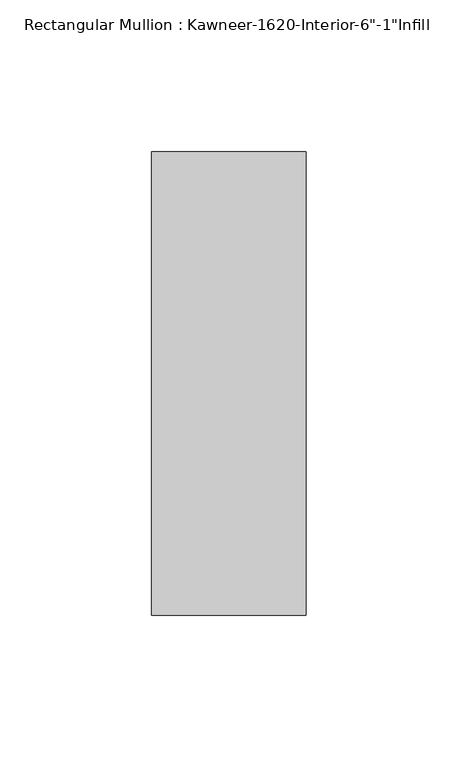
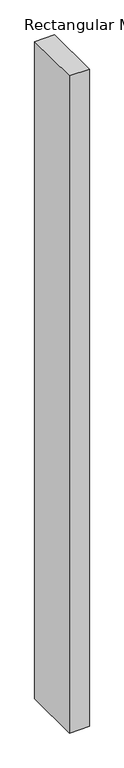
"""IFC4 building model written with IfcOpenShell, lengths in millimetres: member geometry."""

from ifc_helpers import new_model, si_unit, frame, origin, place, context, project, spatial, polyline, outline, extrude, source, transform, mapped, element, save


def member_ad7e8b81(model_context):
    return source(origin(), model_context, "Body", "SweptSolid", [
        extrude(outline(polyline([(25.4, 114.3), (25.4, -38.1), (-25.4, -38.1), (-25.4, 114.3), (25.4, 114.3)])), frame((0.0, 0.0, -1765.3), z_axis=(0.0, 0.0, 1.0), x_axis=(1.0, 0.0, 0.0)), (0.0, 0.0, 1.0), 1765.3),
    ])


if __name__ == "__main__":
    model = new_model("IFC4")
    model_context = context("Model", 3, world=origin())
    ifc_project = project(units=[si_unit("LENGTHUNIT", "METRE", prefix="MILLI")], contexts=[model_context])
    site = spatial("IfcSite", under=ifc_project)
    building = spatial("IfcBuilding", under=site)
    placement = place(None, origin())
    member_shape = member_ad7e8b81(model_context)
    element("IfcMember", 1, ObjectType="Rectangular Mullion : Kawneer-1620-Interior-6\"-1\"Infill", at=placement, inside=building, context=model_context, shape_type="MappedRepresentation", body=[
        mapped(member_shape, transform((0.0, 0.0, 0.0), x_axis=(1.0, 0.0, 0.0), y_axis=(0.0, 1.0, 0.0), z_axis=(0.0, 0.0, 1.0))),
    ])
    save(model, "model.ifc")
